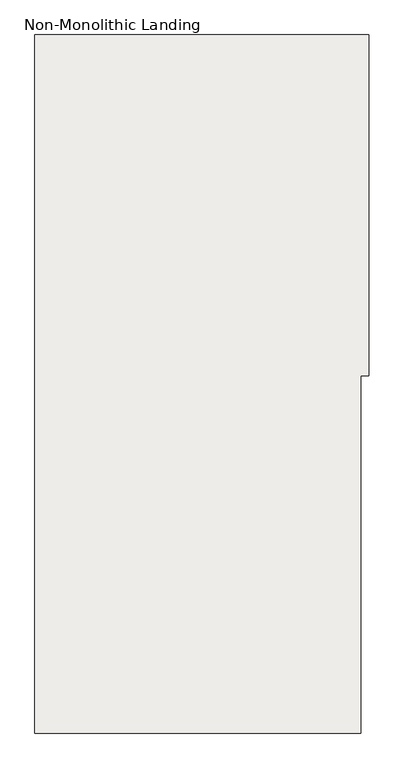
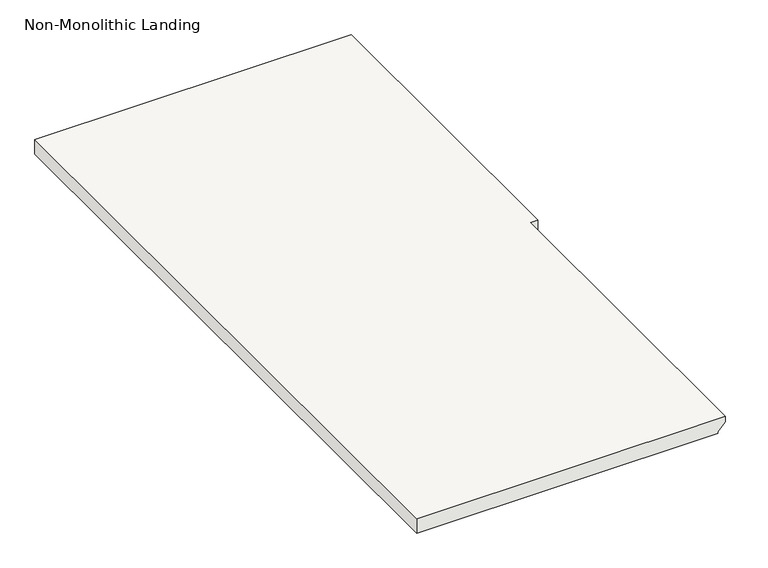
"""IFC4 building model written with IfcOpenShell, lengths in millimetres: slab geometry, Non-Monolithic Landing."""

from ifc_helpers import new_model, si_unit, origin, place, context, project, spatial, faceted_brep, source, transform, mapped, element, save


def non_monolithic_landing_fbafdfb5(model_context):
    return source(origin(), model_context, "Body", "Brep", [
        faceted_brep([(1083.6897599, -482.4908634, -1197.4285714), (1058.2897599, -482.4908634, -1222.8285714), (1058.2897599, 584.3091366, -1222.8285714), (1083.6897599, 584.3091366, -1197.4285714), (1083.6897599, 635.1091366, -1178.3785714), (1109.0897599, 635.1091366, -1178.3785714), (1109.0897599, 1701.9091366, -1178.3785714), (1083.6897599, 1701.9091366, -1178.3785714), (64.5147599, 1701.9091366, -1178.3785714), (64.5147599, -482.4908634, -1178.3785714), (1083.6897599, -482.4908634, -1178.3785714), (1058.2897599, 584.3091366, -1229.1785714), (1058.2897599, -482.4908634, -1229.1785714), (64.5147599, -482.4908634, -1229.1785714), (64.5147599, 1701.9091366, -1229.1785714), (1083.6897599, 1701.9091366, -1229.1785714), (1109.0897599, 1701.9091366, -1229.1785714), (1109.0897599, 635.1091366, -1229.1785714), (1083.6897599, 635.1091366, -1229.1785714), (1083.6897599, 584.3091366, -1229.1785714)], [[[0, 1, 2, 3]], [[4, 5, 6, 7, 8, 9, 10]], [[11, 12, 13, 14, 15, 16, 17, 18, 19]], [[12, 11, 2, 1]], [[11, 19, 3, 2]], [[4, 10, 0, 3, 19, 18]], [[5, 4, 18, 17]], [[6, 5, 17, 16]], [[7, 6, 16, 15]], [[8, 7, 15, 14]], [[9, 8, 14, 13]], [[10, 9, 13, 12, 1, 0]]]),
    ])


if __name__ == "__main__":
    model = new_model("IFC4")
    model_context = context("Model", 3, world=origin())
    ifc_project = project(units=[si_unit("LENGTHUNIT", "METRE", prefix="MILLI")], contexts=[model_context])
    site = spatial("IfcSite", under=ifc_project)
    building = spatial("IfcBuilding", under=site)
    placement = place(None, origin())
    non_monolithic_landing_shape = non_monolithic_landing_fbafdfb5(model_context)
    element("IfcSlab", 1, ObjectType="Non-Monolithic Landing", at=placement, inside=building, context=model_context, shape_type="MappedRepresentation", body=[
        mapped(non_monolithic_landing_shape, transform((0.0, 0.0, 0.0), x_axis=(1.0, 0.0, 0.0), y_axis=(0.0, 1.0, 0.0), z_axis=(0.0, 0.0, 1.0))),
    ])
    save(model, "model.ifc")
